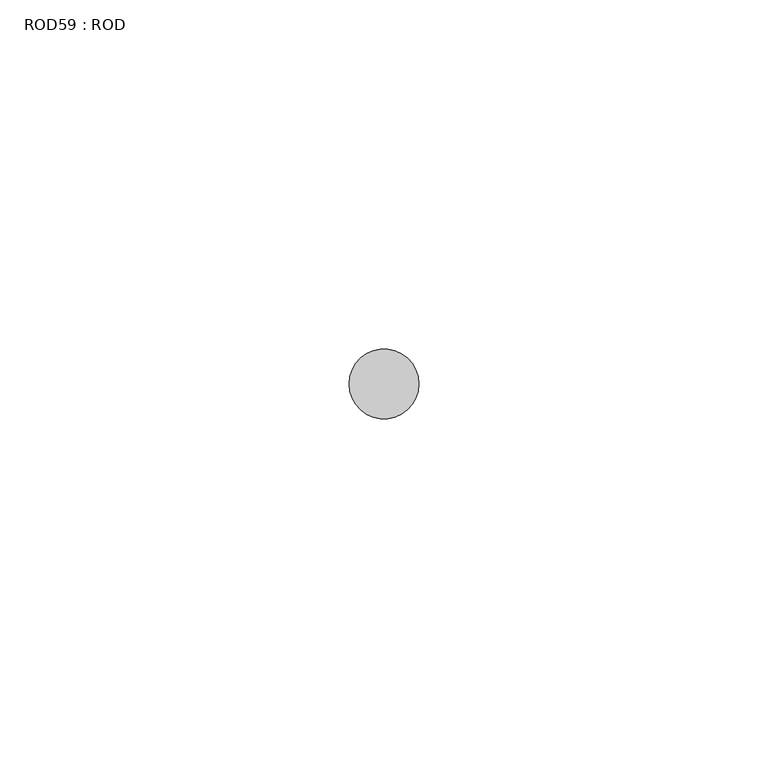
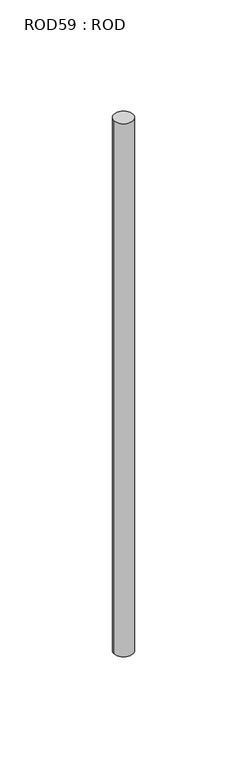
"""IFC4 building model written with IfcOpenShell, lengths in millimetres: proxy geometry, ROD59 : ROD."""

from ifc_helpers import new_model, si_unit, point, frame, frame_2d, origin, place, context, project, spatial, circle_curve, trimmed, segment, composite_curve, outline, extrude, source, transform, mapped, element, save


def rod59_rod_d12d28f5(model_context):
    return source(origin(), model_context, "Body", "SweptSolid", [
        extrude(outline(composite_curve([segment(trimmed(circle_curve(frame_2d((8092.7784384, -1114.6300853)), 5.0), [point((8087.7784384, -1114.6300853))], [point((8097.7784384, -1114.6300853))], False, "CARTESIAN"), True, "CONTINUOUS"), segment(trimmed(circle_curve(frame_2d((8092.7784384, -1114.6300853)), 5.0), [point((8097.7784384, -1114.6300853))], [point((8087.7784384, -1114.6300853))], False, "CARTESIAN"), True, "CONTINUOUS")], self_intersect=False)), frame((0.0, 0.0, -208.6608845), z_axis=(0.0, 0.0, 1.0), x_axis=(1.0, 0.0, 0.0)), (0.0, 0.0, 1.0), 298.9028972),
    ])


if __name__ == "__main__":
    model = new_model("IFC4")
    model_context = context("Model", 3, world=origin())
    ifc_project = project(units=[si_unit("LENGTHUNIT", "METRE", prefix="MILLI")], contexts=[model_context])
    site = spatial("IfcSite", under=ifc_project)
    building = spatial("IfcBuilding", under=site)
    placement = place(None, origin())
    rod59_rod_shape = rod59_rod_d12d28f5(model_context)
    element("IfcBuildingElementProxy", 1, Name="ROD59 : ROD", ObjectType="ROD59 : ROD", at=placement, inside=building, context=model_context, shape_type="MappedRepresentation", body=[
        mapped(rod59_rod_shape, transform((0.0, 0.0, 0.0), x_axis=(1.0, 0.0, 0.0), y_axis=(0.0, 1.0, 0.0), z_axis=(0.0, 0.0, 1.0))),
    ])
    save(model, "model.ifc")
